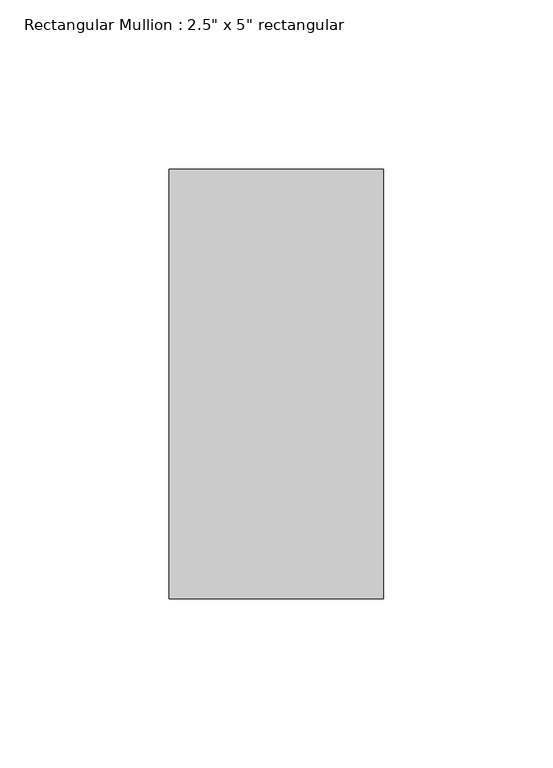
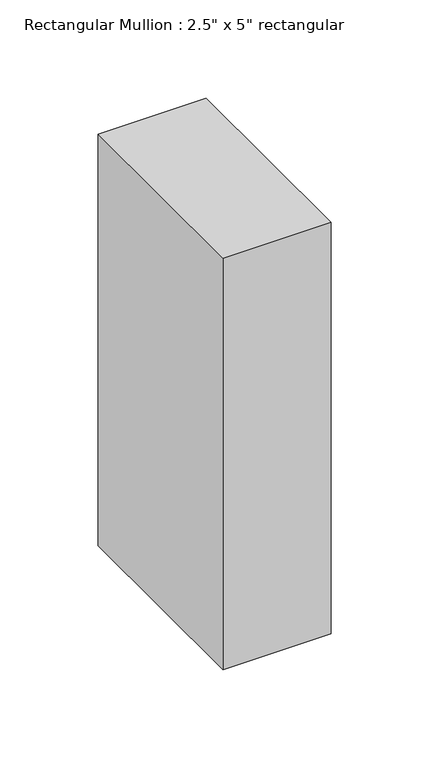
"""IFC4 building model written with IfcOpenShell, lengths in millimetres: member geometry."""

from ifc_helpers import new_model, si_unit, frame, origin, place, context, project, spatial, polyline, outline, extrude, source, transform, mapped, element, save


def member_d2e9ee92(model_context):
    return source(origin(), model_context, "Body", "SweptSolid", [
        extrude(outline(polyline([(31.75, 63.5), (31.75, -63.5), (-31.75, -63.5), (-31.75, 63.5), (31.75, 63.5)])), frame((0.0, 0.0, -255.6801113), z_axis=(0.0, 0.0, 1.0), x_axis=(1.0, 0.0, 0.0)), (0.0, 0.0, 1.0), 255.6801113),
    ])


if __name__ == "__main__":
    model = new_model("IFC4")
    model_context = context("Model", 3, world=origin())
    ifc_project = project(units=[si_unit("LENGTHUNIT", "METRE", prefix="MILLI")], contexts=[model_context])
    site = spatial("IfcSite", under=ifc_project)
    building = spatial("IfcBuilding", under=site)
    placement = place(None, origin())
    member_shape = member_d2e9ee92(model_context)
    element("IfcMember", 1, ObjectType="Rectangular Mullion : 2.5\" x 5\" rectangular", at=placement, inside=building, context=model_context, shape_type="MappedRepresentation", body=[
        mapped(member_shape, transform((0.0, 0.0, 0.0), x_axis=(1.0, 0.0, 0.0), y_axis=(0.0, 1.0, 0.0), z_axis=(0.0, 0.0, 1.0))),
    ])
    save(model, "model.ifc")
